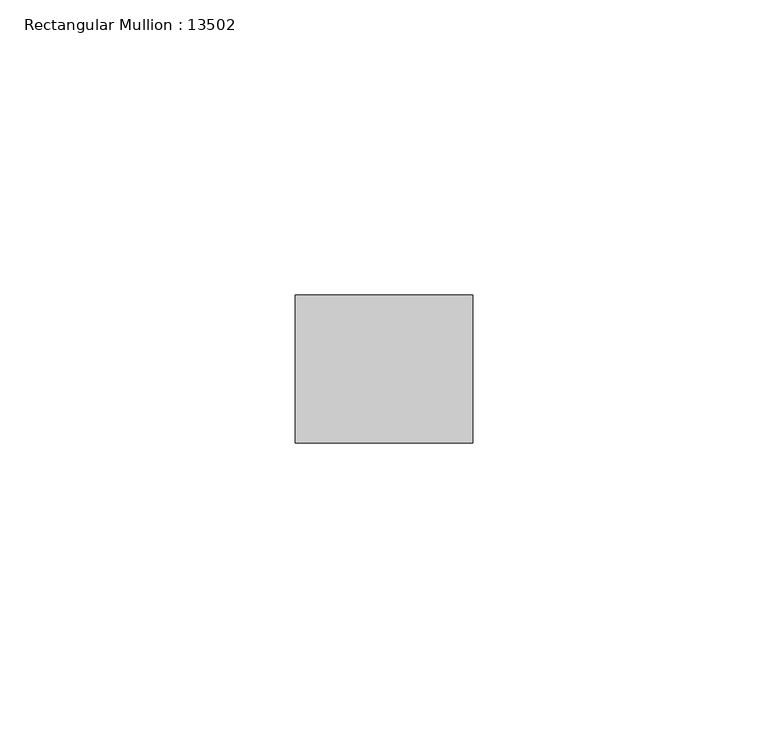
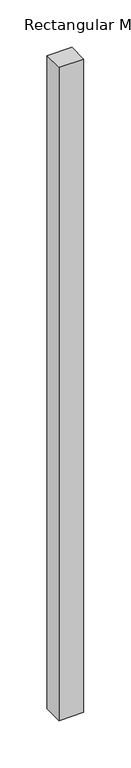
"""IFC4 building model written with IfcOpenShell, lengths in millimetres: member geometry, Rectangular Mullion : 13502."""

from ifc_helpers import new_model, si_unit, frame, origin, place, context, project, spatial, polyline, outline, extrude, source, transform, mapped, element, save


def rectangular_mullion_13502_95714446(model_context):
    return source(origin(), model_context, "Body", "SweptSolid", [
        extrude(outline(polyline([(0.0, 12.5), (0.0, -12.5), (-29.9999993, -12.5), (-29.9999993, 12.5), (0.0, 12.5)])), frame((0.0, 0.0, -840.0), z_axis=(0.0, 0.0, 1.0), x_axis=(1.0, 0.0, 0.0)), (0.0, 0.0, 1.0), 840.0),
    ])


if __name__ == "__main__":
    model = new_model("IFC4")
    model_context = context("Model", 3, world=origin())
    ifc_project = project(units=[si_unit("LENGTHUNIT", "METRE", prefix="MILLI")], contexts=[model_context])
    site = spatial("IfcSite", under=ifc_project)
    building = spatial("IfcBuilding", under=site)
    placement = place(None, origin())
    rectangular_mullion_13502_shape = rectangular_mullion_13502_95714446(model_context)
    element("IfcMember", 1, ObjectType="Rectangular Mullion : 13502", at=placement, inside=building, context=model_context, shape_type="MappedRepresentation", body=[
        mapped(rectangular_mullion_13502_shape, transform((0.0, 0.0, 0.0), x_axis=(1.0, 0.0, 0.0), y_axis=(0.0, 1.0, 0.0), z_axis=(0.0, 0.0, 1.0))),
    ])
    save(model, "model.ifc")
